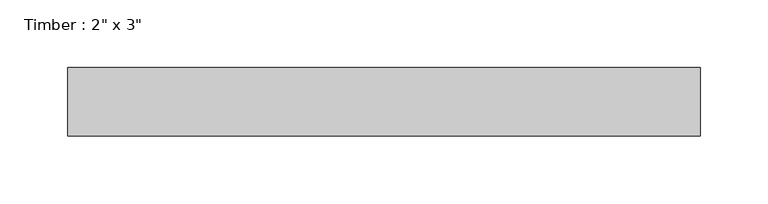
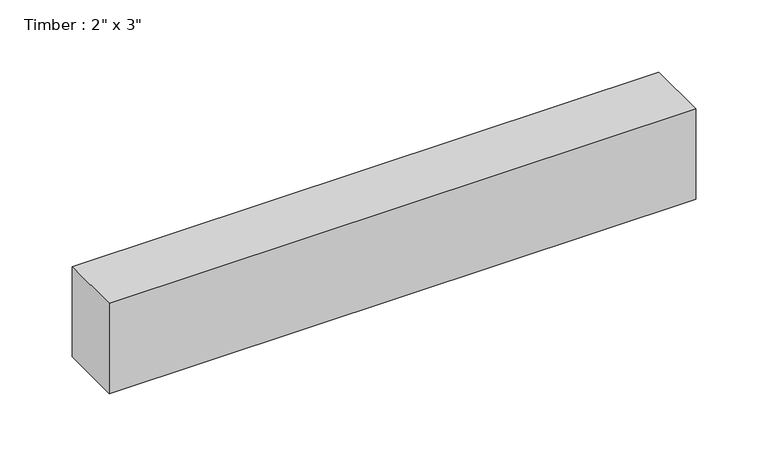
"""IFC4 building model written with IfcOpenShell, lengths in millimetres: beam geometry."""

from ifc_helpers import new_model, si_unit, frame, origin, place, context, project, spatial, polyline, outline, extrude, source, transform, mapped, element, save


def beam_f045b9a5(model_context):
    return source(origin(), model_context, "Body", "SweptSolid", [
        extrude(outline(polyline([(233.7933756, 25.4), (233.7933756, -25.4), (-233.7933756, -25.4), (-233.7933756, 25.4), (233.7933756, 25.4)])), frame((0.0, 0.0, -38.1), z_axis=(0.0, 0.0, 1.0), x_axis=(1.0, 0.0, 0.0)), (0.0, 0.0, 1.0), 76.2),
    ])


if __name__ == "__main__":
    model = new_model("IFC4")
    model_context = context("Model", 3, world=origin())
    ifc_project = project(units=[si_unit("LENGTHUNIT", "METRE", prefix="MILLI")], contexts=[model_context])
    site = spatial("IfcSite", under=ifc_project)
    building = spatial("IfcBuilding", under=site)
    placement = place(None, origin())
    beam_shape = beam_f045b9a5(model_context)
    element("IfcBeam", 1, ObjectType="Timber : 2\" x 3\"", at=placement, inside=building, context=model_context, shape_type="MappedRepresentation", body=[
        mapped(beam_shape, transform((0.0, 0.0, 0.0), x_axis=(1.0, 0.0, 0.0), y_axis=(0.0, 1.0, 0.0), z_axis=(0.0, 0.0, 1.0))),
    ])
    save(model, "model.ifc")
